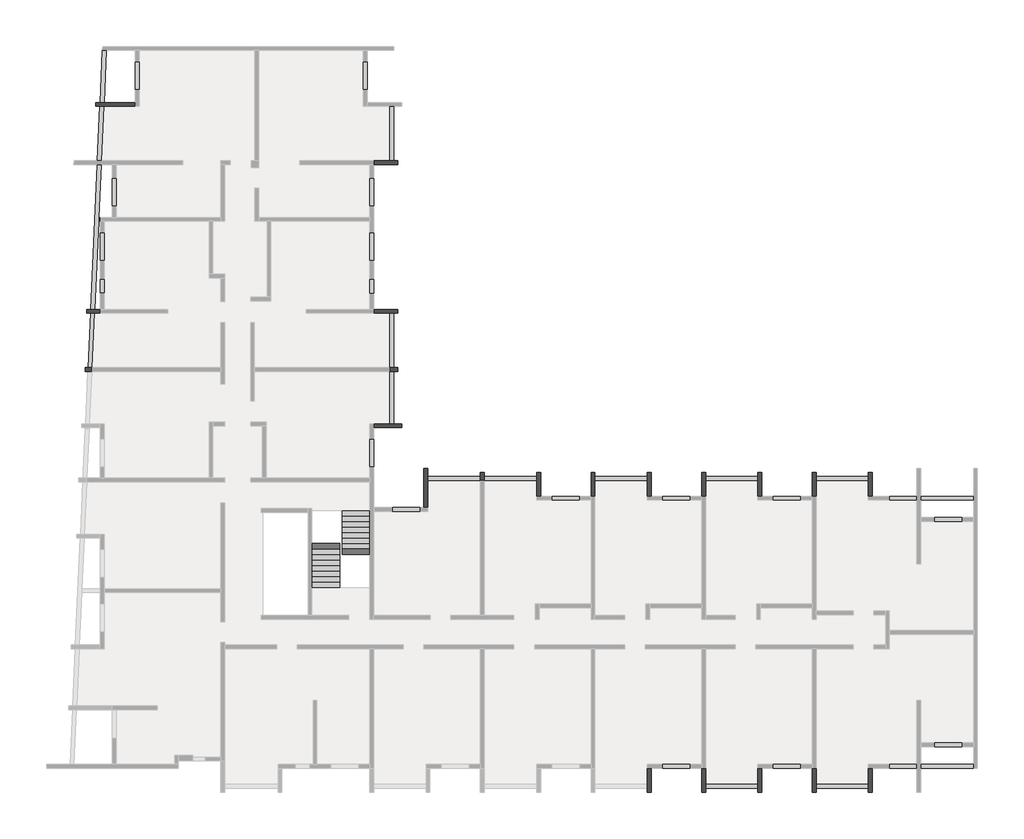
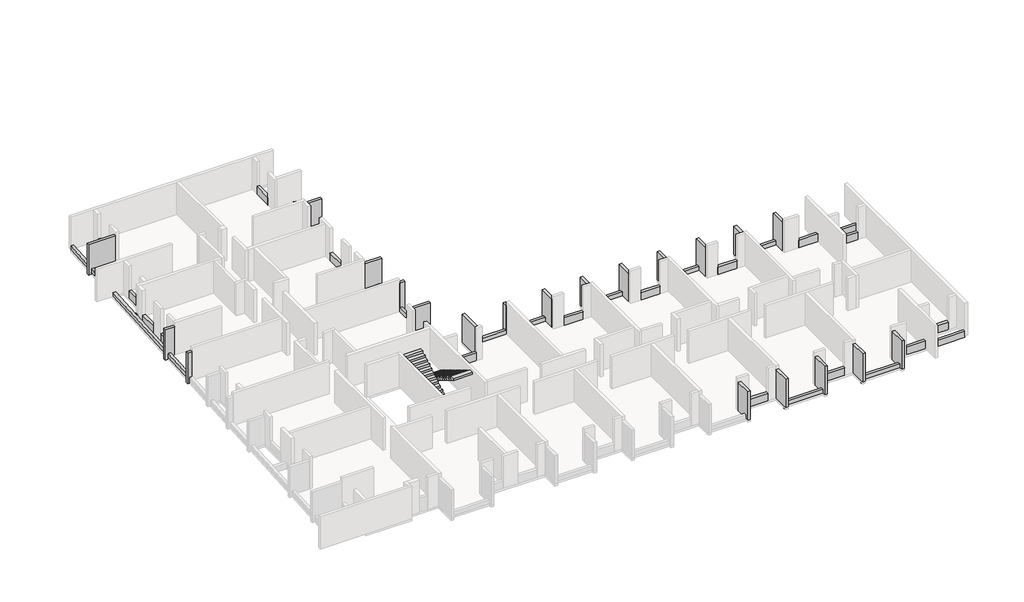
# One storey, part 4 of 4: 57 beams, 2 stair flights.
"""IFC4 building model written with IfcOpenShell, lengths in millimetres."""

from ifc_helpers import new_model, si_unit, frame, origin, place, context, project, spatial, polyline, outline, extrude, faceted_brep, element, save

model = new_model("IFC4")

# Units and contexts
model_context = context("Model", 3, world=origin())
ifc_project = project(units=[si_unit("LENGTHUNIT", "METRE", prefix="MILLI")], contexts=[model_context])

# Site, building, storey
site = spatial("IfcSite", under=ifc_project)
building = spatial("IfcBuilding", under=site)
storey = spatial("IfcBuildingStorey", under=building, Elevation=12290.0)

# Beams
placement = place(None, origin())
element("IfcBeam", 1, ObjectType="VI. 20/238", at=placement, inside=storey, context=model_context, shape_type="Brep", body=[
    faceted_brep([(-43135.6912908, 4000.9327501, 14520.0), (-43135.6912908, 4000.9327501, 12290.0), (-43135.6912908, 4000.9327501, 12140.0), (-43135.6912908, 4200.9327501, 12140.0), (-43135.6912908, 4200.9327501, 12290.0), (-43135.6912908, 4200.9327501, 14520.0), (-43830.6912908, 4000.9327501, 14520.0), (-43830.6912908, 4200.9327501, 14520.0), (-43830.6912908, 4200.9327501, 12140.0), (-43830.6912908, 4000.9327501, 12140.0)], [[[0, 1, 2, 3, 4, 5]], [[6, 7, 8, 9]], [[2, 1, 0, 6, 9]], [[3, 2, 9, 8]], [[5, 4, 3, 8, 7]], [[0, 5, 7, 6]]]),
])
element("IfcBeam", 2, ObjectType="VI. 20/238", at=placement, inside=storey, context=model_context, shape_type="Brep", body=[
    faceted_brep([(-3415.6912908, -5419.0672499, 14520.0), (-3615.6912908, -5419.0672499, 14520.0), (-3615.6912908, -5419.0672499, 12290.0), (-3415.6912908, -5419.0672499, 12290.0), (-3615.6912908, -4199.0672499, 14520.0), (-3415.6912908, -4199.0672499, 14520.0), (-3415.6912908, -4199.0672499, 12290.0), (-3615.6912908, -4199.0672499, 12290.0), (-3615.6912908, -4399.0672499, 12290.0), (-3615.6912908, -4599.0672499, 12290.0)], [[[0, 1, 2, 3]], [[4, 5, 6, 7]], [[1, 4, 7, 8, 9, 2]], [[5, 0, 3, 6]], [[1, 0, 5, 4]], [[3, 2, 9, 8, 7, 6]]]),
])
element("IfcBeam", 3, ObjectType="VI. 20/238", at=placement, inside=storey, context=model_context, shape_type="Brep", body=[
    faceted_brep([(-9105.6912908, -5419.0672499, 14520.0), (-9305.6912908, -5419.0672499, 14520.0), (-9305.6912908, -5419.0672499, 12290.0), (-9105.6912908, -5419.0672499, 12290.0), (-9305.6912908, -4199.0672499, 14520.0), (-9105.6912908, -4199.0672499, 14520.0), (-9105.6912908, -4199.0672499, 12290.0), (-9305.6912908, -4199.0672499, 12290.0), (-9305.6912908, -4399.0672499, 12290.0), (-9305.6912908, -4599.0672499, 12290.0)], [[[0, 1, 2, 3]], [[4, 5, 6, 7]], [[1, 4, 7, 8, 9, 2]], [[5, 0, 3, 6]], [[1, 0, 5, 4]], [[3, 2, 9, 8, 7, 6]]]),
])
element("IfcBeam", 4, ObjectType="VI. 20/238", at=placement, inside=storey, context=model_context, shape_type="Brep", body=[
    faceted_brep([(-20485.6912908, -5419.0672499, 14520.0), (-20685.6912908, -5419.0672499, 14520.0), (-20685.6912908, -5419.0672499, 12290.0), (-20485.6912908, -5419.0672499, 12290.0), (-20685.6912908, -4199.0672499, 14520.0), (-20485.6912908, -4199.0672499, 14520.0), (-20485.6912908, -4199.0672499, 12290.0), (-20685.6912908, -4199.0672499, 12290.0), (-20685.6912908, -4399.0672499, 12290.0), (-20685.6912908, -4399.0672499, 12590.0), (-20685.6912908, -4599.0672499, 12590.0), (-20685.6912908, -4599.0672499, 12290.0), (-20655.6912908, -4599.0672499, 12590.0), (-20655.6912908, -4399.0672499, 12590.0), (-20655.6912908, -4399.0672499, 12290.0), (-20655.6912908, -4599.0672499, 12290.0)], [[[0, 1, 2, 3]], [[4, 5, 6, 7]], [[1, 4, 7, 8, 9, 10, 11, 2]], [[5, 0, 3, 6]], [[1, 0, 5, 4]], [[12, 13, 14, 15]], [[10, 12, 15, 11]], [[13, 9, 8, 14]], [[13, 12, 10, 9]], [[3, 2, 11, 15, 14, 8, 7, 6]]]),
])
element("IfcBeam", 5, ObjectType="VI. 20/238", at=placement, inside=storey, context=model_context, shape_type="Brep", body=[
    faceted_brep([(-26495.6912908, -3999.0672499, 14520.0), (-26295.6912908, -3999.0672499, 14520.0), (-26295.6912908, -3999.0672499, 12290.0), (-26495.6912908, -3999.0672499, 12290.0), (-26295.6912908, -6004.0672499, 14520.0), (-26495.6912908, -6004.0672499, 14520.0), (-26495.6912908, -6004.0672499, 12290.0), (-26295.6912908, -6004.0672499, 12290.0), (-26295.6912908, -4599.0672499, 12290.0), (-26295.6912908, -4399.0672499, 12290.0)], [[[0, 1, 2, 3]], [[4, 5, 6, 7]], [[1, 4, 7, 8, 9, 2]], [[5, 0, 3, 6]], [[1, 0, 5, 4]], [[3, 2, 9, 8, 7, 6]]]),
])
element("IfcBeam", 6, ObjectType="VI. 20/238", at=placement, inside=storey, context=model_context, shape_type="Brep", body=[
    faceted_brep([(-14995.6912908, -4199.0672499, 14520.0), (-14795.6912908, -4199.0672499, 14520.0), (-14795.6912908, -4199.0672499, 12290.0), (-14995.6912908, -4199.0672499, 12290.0), (-14795.6912908, -5419.0672499, 14520.0), (-14995.6912908, -5419.0672499, 14520.0), (-14995.6912908, -5419.0672499, 12290.0), (-14795.6912908, -5419.0672499, 12290.0), (-14995.6912908, -4399.0672499, 12290.0), (-14995.6912908, -4399.0672499, 12590.0), (-14995.6912908, -4599.0672499, 12590.0), (-14995.6912908, -4599.0672499, 12290.0), (-14965.6912908, -4599.0672499, 12590.0), (-14965.6912908, -4399.0672499, 12590.0), (-14965.6912908, -4399.0672499, 12290.0), (-14965.6912908, -4599.0672499, 12290.0)], [[[0, 1, 2, 3]], [[4, 5, 6, 7]], [[1, 4, 7, 2]], [[5, 0, 3, 8, 9, 10, 11, 6]], [[1, 0, 5, 4]], [[12, 13, 14, 15]], [[10, 12, 15, 11]], [[13, 9, 8, 14]], [[13, 12, 10, 9]], [[3, 2, 7, 6, 11, 15, 14, 8]]]),
])
element("IfcBeam", 7, ObjectType="VI. 20/238", at=placement, inside=storey, context=model_context, shape_type="Brep", body=[
    faceted_brep([(-3615.6912908, -20669.0672499, 14520.0), (-3615.6912908, -20669.0672499, 12140.0), (-3415.6912908, -20669.0672499, 12140.0), (-3415.6912908, -20669.0672499, 14520.0), (-3615.6912908, -19419.0672499, 14520.0), (-3415.6912908, -19419.0672499, 14520.0), (-3415.6912908, -19419.0672499, 12290.0), (-3615.6912908, -19419.0672499, 12290.0), (-3615.6912908, -20249.0672499, 12290.0), (-3615.6912908, -20449.0672499, 12290.0), (-3615.6912908, -20449.0672499, 12140.0), (-3415.6912908, -20449.0672499, 12140.0), (-3415.6912908, -20449.0672499, 12290.0)], [[[0, 1, 2, 3]], [[4, 5, 6, 7]], [[1, 0, 4, 7, 8, 9, 10]], [[2, 1, 10, 11]], [[3, 2, 11, 12, 6, 5]], [[0, 3, 5, 4]], [[9, 12, 11, 10]], [[12, 9, 8, 7, 6]]]),
])
element("IfcBeam", 8, ObjectType="VI. 20/238", at=placement, inside=storey, context=model_context, shape_type="Brep", body=[
    faceted_brep([(-6505.6912908, -20669.0672499, 14520.0), (-6505.6912908, -20669.0672499, 12140.0), (-6305.6912908, -20669.0672499, 12140.0), (-6305.6912908, -20669.0672499, 14520.0), (-6505.6912908, -19419.0672499, 14520.0), (-6305.6912908, -19419.0672499, 14520.0), (-6305.6912908, -19419.0672499, 12290.0), (-6505.6912908, -19419.0672499, 12290.0), (-6505.6912908, -20449.0672499, 12290.0), (-6505.6912908, -20449.0672499, 12140.0), (-6305.6912908, -20449.0672499, 12140.0), (-6305.6912908, -20449.0672499, 12290.0), (-6305.6912908, -20249.0672499, 12290.0)], [[[0, 1, 2, 3]], [[4, 5, 6, 7]], [[1, 0, 4, 7, 8, 9]], [[2, 1, 9, 10]], [[3, 2, 10, 11, 12, 6, 5]], [[0, 3, 5, 4]], [[8, 11, 10, 9]], [[11, 8, 7, 6, 12]]]),
])
element("IfcBeam", 9, ObjectType="VI. 20/238", at=placement, inside=storey, context=model_context, shape_type="Brep", body=[
    faceted_brep([(-9305.6912908, -20669.0672499, 14520.0), (-9305.6912908, -20669.0672499, 12140.0), (-9105.6912908, -20669.0672499, 12140.0), (-9105.6912908, -20669.0672499, 14520.0), (-9305.6912908, -19419.0672499, 14520.0), (-9105.6912908, -19419.0672499, 14520.0), (-9105.6912908, -19419.0672499, 12290.0), (-9305.6912908, -19419.0672499, 12290.0), (-9305.6912908, -20249.0672499, 12290.0), (-9305.6912908, -20449.0672499, 12290.0), (-9305.6912908, -20449.0672499, 12140.0), (-9105.6912908, -20449.0672499, 12140.0), (-9105.6912908, -20449.0672499, 12290.0)], [[[0, 1, 2, 3]], [[4, 5, 6, 7]], [[1, 0, 4, 7, 8, 9, 10]], [[2, 1, 10, 11]], [[3, 2, 11, 12, 6, 5]], [[0, 3, 5, 4]], [[9, 12, 11, 10]], [[12, 9, 8, 7, 6]]]),
])
element("IfcBeam", 10, ObjectType="VI. 20/238", at=placement, inside=storey, context=model_context, shape_type="Brep", body=[
    faceted_brep([(-12195.6912908, -20669.0672499, 14520.0), (-12195.6912908, -20669.0672499, 12140.0), (-11995.6912908, -20669.0672499, 12140.0), (-11995.6912908, -20669.0672499, 14520.0), (-12195.6912908, -19419.0672499, 14520.0), (-11995.6912908, -19419.0672499, 14520.0), (-11995.6912908, -19419.0672499, 12290.0), (-12195.6912908, -19419.0672499, 12290.0), (-12195.6912908, -20449.0672499, 12290.0), (-12195.6912908, -20449.0672499, 12140.0), (-11995.6912908, -20449.0672499, 12140.0), (-11995.6912908, -20449.0672499, 12290.0), (-11995.6912908, -20249.0672499, 12290.0)], [[[0, 1, 2, 3]], [[4, 5, 6, 7]], [[1, 0, 4, 7, 8, 9]], [[2, 1, 9, 10]], [[3, 2, 10, 11, 12, 6, 5]], [[0, 3, 5, 4]], [[8, 11, 10, 9]], [[11, 8, 7, 6, 12]]]),
])
element("IfcBeam", 11, ObjectType="VI. 20/238", at=placement, inside=storey, context=model_context, shape_type="Brep", body=[
    faceted_brep([(-14995.6912908, -20669.0672499, 14520.0), (-14995.6912908, -20669.0672499, 12140.0), (-14795.6912908, -20669.0672499, 12140.0), (-14795.6912908, -20669.0672499, 14520.0), (-14995.6912908, -19419.0672499, 14520.0), (-14795.6912908, -19419.0672499, 14520.0), (-14795.6912908, -19419.0672499, 12290.0), (-14995.6912908, -19419.0672499, 12290.0), (-14995.6912908, -20249.0672499, 12290.0), (-14995.6912908, -20449.0672499, 12290.0), (-14995.6912908, -20449.0672499, 12140.0), (-14795.6912908, -20449.0672499, 12140.0), (-14795.6912908, -20449.0672499, 12290.0)], [[[0, 1, 2, 3]], [[4, 5, 6, 7]], [[1, 0, 4, 7, 8, 9, 10]], [[2, 1, 10, 11]], [[3, 2, 11, 12, 6, 5]], [[0, 3, 5, 4]], [[9, 12, 11, 10]], [[12, 9, 8, 7, 6]]]),
])
element("IfcBeam", 12, ObjectType="VI. 20/238", at=placement, inside=storey, context=model_context, shape_type="Brep", body=[
    faceted_brep([(-43355.6912908, 14650.9327501, 14520.0), (-43355.6912908, 14850.9327501, 14520.0), (-43355.6912908, 14850.9327501, 12140.0), (-43355.6912908, 14650.9327501, 12140.0), (-43152.5942526, 14650.9327501, 12140.0), (-43152.5942526, 14650.9327501, 12290.0), (-42952.3885608, 14650.9327501, 12290.0), (-41335.6912908, 14650.9327501, 12290.0), (-41335.6912908, 14650.9327501, 14520.0), (-43143.5212701, 14850.9327501, 12140.0), (-41335.6912908, 14850.9327501, 14520.0), (-41335.6912908, 14850.9327501, 12290.0), (-42943.3155784, 14850.9327501, 12290.0), (-43143.5212701, 14850.9327501, 12290.0)], [[[0, 1, 2, 3]], [[0, 3, 4, 5, 6, 7, 8]], [[3, 2, 9, 4]], [[2, 1, 10, 11, 12, 13, 9]], [[1, 0, 8, 10]], [[10, 8, 7, 11]], [[13, 5, 4, 9]], [[5, 13, 12, 11, 7, 6]]]),
])
element("IfcBeam", 13, ObjectType="VI. 20/238", at=placement, inside=storey, context=model_context, shape_type="Brep", body=[
    faceted_brep([(-27635.6912908, -1689.5482142, 14520.0), (-27635.6912908, -1889.5482142, 14520.0), (-27635.6912908, -1889.5482142, 12290.0), (-27635.6912908, -1689.5482142, 12290.0), (-29065.6912908, -1889.5482142, 14520.0), (-29065.6912908, -1689.5482142, 14520.0), (-29065.6912908, -1689.5482142, 12290.0), (-29065.6912908, -1889.5482142, 12290.0), (-28035.6912908, -1689.5482142, 12290.0), (-28235.6912908, -1689.5482142, 12290.0)], [[[0, 1, 2, 3]], [[4, 5, 6, 7]], [[5, 0, 3, 8, 9, 6]], [[1, 4, 7, 2]], [[1, 0, 5, 4]], [[3, 2, 7, 6, 9, 8]]]),
])
element("IfcBeam", 14, ObjectType="VI. 20/238", at=placement, inside=storey, context=model_context, shape_type="Brep", body=[
    faceted_brep([(-43915.6912908, 1000.9327501, 14520.0), (-43915.6912908, 1200.9327501, 14520.0), (-43915.6912908, 1200.9327501, 12140.0), (-43915.6912908, 1000.9327501, 12140.0), (-43771.8253055, 1000.9327501, 12140.0), (-43771.8253055, 1000.9327501, 12290.0), (-43571.6196137, 1000.9327501, 12290.0), (-43571.6196137, 1000.9327501, 12590.0), (-43571.6196137, 1000.9327501, 14520.0), (-43762.752323, 1200.9327501, 12140.0), (-43562.5466312, 1200.9327501, 14520.0), (-43562.5466312, 1200.9327501, 12590.0), (-43562.5466312, 1200.9327501, 12290.0), (-43762.752323, 1200.9327501, 12290.0)], [[[0, 1, 2, 3]], [[0, 3, 4, 5, 6, 7, 8]], [[3, 2, 9, 4]], [[2, 1, 10, 11, 12, 13, 9]], [[1, 0, 8, 10]], [[13, 5, 4, 9]], [[5, 13, 12, 6]], [[8, 7, 6, 12, 11, 10]]]),
])
element("IfcBeam", 15, ObjectType="VI. 20/238", at=placement, inside=storey, context=model_context, shape_type="Brep", body=[
    faceted_brep([(-27835.6912908, 1200.9327501, 14520.0), (-27835.6912908, 1000.9327501, 14520.0), (-27835.6912908, 1000.9327501, 12290.0), (-27835.6912908, 1200.9327501, 12290.0), (-28235.6912908, 1000.9327501, 14520.0), (-28235.6912908, 1200.9327501, 14520.0), (-28235.6912908, 1200.9327501, 12590.0), (-28235.6912908, 1200.9327501, 12290.0), (-28235.6912908, 1000.9327501, 12290.0), (-28235.6912908, 1000.9327501, 12590.0), (-28035.6912908, 1200.9327501, 12290.0), (-28035.6912908, 1000.9327501, 12290.0)], [[[0, 1, 2, 3]], [[4, 5, 6, 7, 8, 9]], [[5, 0, 3, 10, 7, 6]], [[1, 4, 9, 8, 11, 2]], [[1, 0, 5, 4]], [[3, 2, 11, 8, 7, 10]]]),
])
element("IfcBeam", 16, ObjectType="VI. 20/238", at=placement, inside=storey, context=model_context, shape_type="Brep", body=[
    faceted_brep([(-17885.6912908, -4199.0672499, 14520.0), (-17685.6912908, -4199.0672499, 14520.0), (-17685.6912908, -4199.0672499, 12290.0), (-17885.6912908, -4199.0672499, 12290.0), (-17685.6912908, -5419.0672499, 14520.0), (-17885.6912908, -5419.0672499, 14520.0), (-17885.6912908, -5419.0672499, 12290.0), (-17685.6912908, -5419.0672499, 12290.0), (-17685.6912908, -4599.0672499, 12290.0), (-17685.6912908, -4399.0672499, 12290.0)], [[[0, 1, 2, 3]], [[4, 5, 6, 7]], [[1, 4, 7, 8, 9, 2]], [[5, 0, 3, 6]], [[1, 0, 5, 4]], [[3, 2, 9, 8, 7, 6]]]),
])
element("IfcBeam", 17, ObjectType="VI. 20/238", at=placement, inside=storey, context=model_context, shape_type="Brep", body=[
    faceted_brep([(-6305.6912908, -5419.0672499, 14520.0), (-6505.6912908, -5419.0672499, 14520.0), (-6505.6912908, -5419.0672499, 12290.0), (-6305.6912908, -5419.0672499, 12290.0), (-6505.6912908, -4199.0672499, 14520.0), (-6305.6912908, -4199.0672499, 14520.0), (-6305.6912908, -4199.0672499, 12290.0), (-6505.6912908, -4199.0672499, 12290.0), (-6305.6912908, -4599.0672499, 12290.0), (-6305.6912908, -4399.0672499, 12290.0)], [[[0, 1, 2, 3]], [[4, 5, 6, 7]], [[1, 4, 7, 2]], [[5, 0, 3, 8, 9, 6]], [[1, 0, 5, 4]], [[3, 2, 7, 6, 9, 8]]]),
])
element("IfcBeam", 18, ObjectType="VI. 20/238", at=placement, inside=storey, context=model_context, shape_type="Brep", body=[
    faceted_brep([(-11995.6912908, -5419.0672499, 14520.0), (-12195.6912908, -5419.0672499, 14520.0), (-12195.6912908, -5419.0672499, 12290.0), (-11995.6912908, -5419.0672499, 12290.0), (-12195.6912908, -4199.0672499, 14520.0), (-11995.6912908, -4199.0672499, 14520.0), (-11995.6912908, -4199.0672499, 12290.0), (-12195.6912908, -4199.0672499, 12290.0), (-11995.6912908, -4599.0672499, 12290.0), (-11995.6912908, -4399.0672499, 12290.0)], [[[0, 1, 2, 3]], [[4, 5, 6, 7]], [[1, 4, 7, 2]], [[5, 0, 3, 8, 9, 6]], [[1, 0, 5, 4]], [[3, 2, 7, 6, 9, 8]]]),
])
element("IfcBeam", 19, ObjectType="VI. 20/238", at=placement, inside=storey, context=model_context, shape_type="Brep", body=[
    faceted_brep([(-23375.6912908, -4599.0672499, 14520.0), (-23575.6912908, -4599.0672499, 14520.0), (-23575.6912908, -4599.0672499, 12590.0), (-23575.6912908, -4599.0672499, 12290.0), (-23375.6912908, -4599.0672499, 12290.0), (-23375.6912908, -4599.0672499, 12590.0), (-23575.6912908, -4199.0672499, 14520.0), (-23375.6912908, -4199.0672499, 14520.0), (-23375.6912908, -4199.0672499, 12290.0), (-23575.6912908, -4199.0672499, 12290.0), (-23575.6912908, -4399.0672499, 12290.0), (-23375.6912908, -4399.0672499, 12290.0)], [[[0, 1, 2, 3, 4, 5]], [[6, 7, 8, 9]], [[1, 6, 9, 10, 3, 2]], [[7, 0, 5, 4, 11, 8]], [[1, 0, 7, 6]], [[4, 3, 10, 9, 8, 11]]]),
])
element("IfcBeam", 20, ObjectType="VI. 20/238", at=placement, inside=storey, context=model_context, shape_type="Brep", body=[
    faceted_brep([(-27835.6912908, 4200.9327501, 14520.0), (-27835.6912908, 4000.9327501, 14520.0), (-27835.6912908, 4000.9327501, 12290.0), (-27835.6912908, 4200.9327501, 12290.0), (-29065.6912908, 4000.9327501, 14520.0), (-29065.6912908, 4200.9327501, 14520.0), (-29065.6912908, 4200.9327501, 12290.0), (-29065.6912908, 4000.9327501, 12290.0), (-28235.6912908, 4000.9327501, 12290.0), (-28035.6912908, 4000.9327501, 12290.0)], [[[0, 1, 2, 3]], [[4, 5, 6, 7]], [[5, 0, 3, 6]], [[1, 4, 7, 8, 9, 2]], [[1, 0, 5, 4]], [[3, 2, 9, 8, 7, 6]]]),
])
element("IfcBeam", 21, ObjectType="VI. 20/238", at=placement, inside=storey, context=model_context, shape_type="Brep", body=[
    faceted_brep([(-27835.6912908, 11850.9327501, 14520.0), (-27835.6912908, 11650.9327501, 14520.0), (-27835.6912908, 11650.9327501, 12290.0), (-27835.6912908, 11850.9327501, 12290.0), (-29065.6912908, 11650.9327501, 14520.0), (-29065.6912908, 11850.9327501, 14520.0), (-29065.6912908, 11850.9327501, 12290.0), (-29065.6912908, 11650.9327501, 12290.0), (-28035.6912908, 11850.9327501, 12290.0), (-28235.6912908, 11850.9327501, 12290.0)], [[[0, 1, 2, 3]], [[4, 5, 6, 7]], [[5, 0, 3, 8, 9, 6]], [[1, 4, 7, 2]], [[1, 0, 5, 4]], [[3, 2, 7, 6, 9, 8]]]),
])
element("IfcBeam", 22, ObjectType="VI. 20/45", at=placement, inside=storey, context=model_context, shape_type="SweptSolid", body=[
    extrude(outline(polyline([(-3615.6912908, -4399.0672499), (-3615.6912908, -4599.0672499), (-6305.6912908, -4599.0672499), (-6305.6912908, -4399.0672499), (-3615.6912908, -4399.0672499)])), frame((0.0, 0.0, 12290.0), z_axis=(0.0, 0.0, 1.0), x_axis=(1.0, 0.0, 0.0)), (0.0, 0.0, 1.0), 300.0),
])
element("IfcBeam", 23, ObjectType="VI. 20/45", at=placement, inside=storey, context=model_context, shape_type="SweptSolid", body=[
    extrude(outline(polyline([(-9305.6912908, -4399.0672499), (-9305.6912908, -4599.0672499), (-11995.6912908, -4599.0672499), (-11995.6912908, -4399.0672499), (-9305.6912908, -4399.0672499)])), frame((0.0, 0.0, 12290.0), z_axis=(0.0, 0.0, 1.0), x_axis=(1.0, 0.0, 0.0)), (0.0, 0.0, 1.0), 300.0),
])
element("IfcBeam", 24, ObjectType="VI. 20/45", at=placement, inside=storey, context=model_context, shape_type="Brep", body=[
    faceted_brep([(-14965.6912908, -4399.0672499, 12590.0), (-14965.6912908, -4599.0672499, 12590.0), (-14965.6912908, -4599.0672499, 12290.0), (-14965.6912908, -4399.0672499, 12290.0), (-17685.6912908, -4599.0672499, 12590.0), (-17685.6912908, -4399.0672499, 12590.0), (-17685.6912908, -4399.0672499, 12290.0), (-17685.6912908, -4599.0672499, 12290.0), (-14995.6912908, -4599.0672499, 12590.0), (-14995.6912908, -4599.0672499, 12290.0), (-14995.6912908, -4399.0672499, 12590.0), (-14995.6912908, -4399.0672499, 12290.0)], [[[0, 1, 2, 3]], [[4, 5, 6, 7]], [[1, 8, 4, 7, 9, 2]], [[5, 10, 0, 3, 11, 6]], [[1, 0, 10, 5, 4, 8]], [[3, 2, 9, 7, 6, 11]]]),
])
element("IfcBeam", 25, ObjectType="VI. 20/45", at=placement, inside=storey, context=model_context, shape_type="Brep", body=[
    faceted_brep([(-20655.6912908, -4399.0672499, 12590.0), (-20655.6912908, -4599.0672499, 12590.0), (-20655.6912908, -4599.0672499, 12290.0), (-20655.6912908, -4399.0672499, 12290.0), (-23375.6912908, -4599.0672499, 12590.0), (-23375.6912908, -4399.0672499, 12590.0), (-23375.6912908, -4399.0672499, 12290.0), (-23375.6912908, -4599.0672499, 12290.0), (-20685.6912908, -4599.0672499, 12590.0), (-20685.6912908, -4599.0672499, 12290.0), (-20685.6912908, -4399.0672499, 12590.0), (-20685.6912908, -4399.0672499, 12290.0)], [[[0, 1, 2, 3]], [[4, 5, 6, 7]], [[1, 8, 4, 7, 9, 2]], [[5, 10, 0, 3, 11, 6]], [[1, 0, 10, 5, 4, 8]], [[3, 2, 9, 7, 6, 11]]]),
])
element("IfcBeam", 26, ObjectType="VI. 20/45", at=placement, inside=storey, context=model_context, shape_type="SweptSolid", body=[
    extrude(outline(polyline([(-23575.6912908, -4399.0672499), (-23575.6912908, -4599.0672499), (-26295.6912908, -4599.0672499), (-26295.6912908, -4399.0672499), (-23575.6912908, -4399.0672499)])), frame((0.0, 0.0, 12290.0), z_axis=(0.0, 0.0, 1.0), x_axis=(1.0, 0.0, 0.0)), (0.0, 0.0, 1.0), 300.0),
])
element("IfcBeam", 27, ObjectType="VI. 20/45", at=placement, inside=storey, context=model_context, shape_type="SweptSolid", body=[
    extrude(outline(polyline([(-6305.6912908, -20449.0672499), (-6305.6912908, -20249.0672499), (-3615.6912908, -20249.0672499), (-3615.6912908, -20449.0672499), (-6305.6912908, -20449.0672499)])), frame((0.0, 0.0, 12290.0), z_axis=(0.0, 0.0, 1.0), x_axis=(1.0, 0.0, 0.0)), (0.0, 0.0, 1.0), 300.0),
])
element("IfcBeam", 28, ObjectType="VI. 20/45", at=placement, inside=storey, context=model_context, shape_type="SweptSolid", body=[
    extrude(outline(polyline([(-9305.6912908, -20249.0672499), (-9305.6912908, -20449.0672499), (-11995.6912908, -20449.0672499), (-11995.6912908, -20249.0672499), (-9305.6912908, -20249.0672499)])), frame((0.0, 0.0, 12290.0), z_axis=(0.0, 0.0, 1.0), x_axis=(1.0, 0.0, 0.0)), (0.0, 0.0, 1.0), 300.0),
])
element("IfcBeam", 29, ObjectType="VI. 20/45", at=placement, inside=storey, context=model_context, shape_type="SweptSolid", body=[
    extrude(outline(polyline([(-28235.6912908, 14650.9327501), (-28035.6912908, 14650.9327501), (-28035.6912908, 11850.9327501), (-28235.6912908, 11850.9327501), (-28235.6912908, 14650.9327501)])), frame((0.0, 0.0, 12290.0), z_axis=(0.0, 0.0, 1.0), x_axis=(1.0, 0.0, 0.0)), (0.0, 0.0, 1.0), 300.0),
])
element("IfcBeam", 30, ObjectType="VI. 20/45", at=placement, inside=storey, context=model_context, shape_type="SweptSolid", body=[
    extrude(outline(polyline([(-28235.6912908, 4000.9327501), (-28035.6912908, 4000.9327501), (-28035.6912908, 1200.9327501), (-28235.6912908, 1200.9327501), (-28235.6912908, 4000.9327501)])), frame((0.0, 0.0, 12290.0), z_axis=(0.0, 0.0, 1.0), x_axis=(1.0, 0.0, 0.0)), (0.0, 0.0, 1.0), 300.0),
])
element("IfcBeam", 31, ObjectType="VI. 20/45", at=placement, inside=storey, context=model_context, shape_type="SweptSolid", body=[
    extrude(outline(polyline([(-28035.6912908, -1689.5482142), (-28235.6912908, -1689.5482142), (-28235.6912908, 1000.9327501), (-28035.6912908, 1000.9327501), (-28035.6912908, -1689.5482142)])), frame((0.0, 0.0, 12290.0), z_axis=(0.0, 0.0, 1.0), x_axis=(1.0, 0.0, 0.0)), (0.0, 0.0, 1.0), 300.0),
])
element("IfcBeam", 32, ObjectType="VI. 20/45", at=placement, inside=storey, context=model_context, shape_type="SweptSolid", body=[
    extrude(outline(polyline([(-42821.7376134, 17530.9327501), (-42943.3155784, 14850.9327501), (-43143.5212701, 14850.9327501), (-43021.9433052, 17530.9327501), (-42821.7376134, 17530.9327501)])), frame((0.0, 0.0, 12290.0), z_axis=(0.0, 0.0, 1.0), x_axis=(1.0, 0.0, 0.0)), (0.0, 0.0, 1.0), 300.0),
])
element("IfcBeam", 33, ObjectType="VI. 20/45", at=placement, inside=storey, context=model_context, shape_type="SweptSolid", body=[
    extrude(outline(polyline([(-43152.5942526, 14650.9327501), (-42952.3885608, 14650.9327501), (-43079.4103153, 11850.9327501), (-43279.616007, 11850.9327501), (-43152.5942526, 14650.9327501)])), frame((0.0, 0.0, 12290.0), z_axis=(0.0, 0.0, 1.0), x_axis=(1.0, 0.0, 0.0)), (0.0, 0.0, 1.0), 300.0),
])
element("IfcBeam", 34, ObjectType="VI. 20/45", at=placement, inside=storey, context=model_context, shape_type="SweptSolid", body=[
    extrude(outline(polyline([(-43135.6912908, 8730.9327501), (-43220.9488416, 8730.9327501), (-43211.8758592, 8930.9327501), (-43135.6912908, 8930.9327501), (-43135.6912908, 8730.9327501)])), frame((0.0, 0.0, 12290.0), z_axis=(0.0, 0.0, 1.0), x_axis=(1.0, 0.0, 0.0)), (0.0, 0.0, 1.0), 300.0),
])
element("IfcBeam", 35, ObjectType="VI. 20/45", at=placement, inside=storey, context=model_context, shape_type="Brep", body=[
    faceted_brep([(-43088.4832977, 11650.9327501, 12590.0), (-43211.8758592, 8930.9327501, 12590.0), (-43220.9488416, 8730.9327501, 12590.0), (-43426.4518943, 4200.9327501, 12590.0), (-43426.4518943, 4200.9327501, 12290.0), (-43220.9488416, 8730.9327501, 12290.0), (-43211.8758592, 8930.9327501, 12290.0), (-43088.4832977, 11650.9327501, 12290.0), (-43626.6575861, 4200.9327501, 12590.0), (-43288.6889895, 11650.9327501, 12590.0), (-43288.6889895, 11650.9327501, 12290.0), (-43626.6575861, 4200.9327501, 12290.0)], [[[0, 1, 2, 3, 4, 5, 6, 7]], [[8, 9, 10, 11]], [[8, 3, 2, 1, 0, 9]], [[9, 0, 7, 10]], [[3, 8, 11, 4]], [[7, 6, 5, 4, 11, 10]]]),
])
element("IfcBeam", 36, ObjectType="VI. 20/45", at=placement, inside=storey, context=model_context, shape_type="SweptSolid", body=[
    extrude(outline(polyline([(-43435.5248768, 4000.9327501), (-43562.5466312, 1200.9327501), (-43762.752323, 1200.9327501), (-43635.7305686, 4000.9327501), (-43435.5248768, 4000.9327501)])), frame((0.0, 0.0, 12290.0), z_axis=(0.0, 0.0, 1.0), x_axis=(1.0, 0.0, 0.0)), (0.0, 0.0, 1.0), 300.0),
])
element("IfcBeam", 37, ObjectType="VI. 20/47", at=placement, inside=storey, context=model_context, shape_type="Brep", body=[
    faceted_brep([(1794.3087092, -5619.0672499, 12610.0), (1794.3087092, -5619.0672499, 12140.0), (1794.3087092, -5419.0672499, 12140.0), (1794.3087092, -5419.0672499, 12610.0), (-925.6912908, -5619.0672499, 12610.0), (-925.6912908, -5419.0672499, 12610.0), (-925.6912908, -5419.0672499, 12290.0), (-925.6912908, -5419.0672499, 12140.0), (-925.6912908, -5619.0672499, 12140.0), (-925.6912908, -5619.0672499, 12290.0)], [[[0, 1, 2, 3]], [[4, 5, 6, 7, 8, 9]], [[1, 0, 4, 9, 8]], [[2, 1, 8, 7]], [[3, 2, 7, 6, 5]], [[0, 3, 5, 4]]]),
])
element("IfcBeam", 38, ObjectType="VI. 20/47", at=placement, inside=storey, context=model_context, shape_type="Brep", body=[
    faceted_brep([(1794.3087092, -19419.0672499, 12610.0), (1794.3087092, -19419.0672499, 12290.0), (1794.3087092, -19419.0672499, 12140.0), (1794.3087092, -19219.0672499, 12140.0), (1794.3087092, -19219.0672499, 12610.0), (-925.6912908, -19419.0672499, 12610.0), (-925.6912908, -19219.0672499, 12610.0), (-925.6912908, -19219.0672499, 12290.0), (-925.6912908, -19219.0672499, 12140.0), (-925.6912908, -19419.0672499, 12140.0), (-925.6912908, -19419.0672499, 12290.0)], [[[0, 1, 2, 3, 4]], [[5, 6, 7, 8, 9, 10]], [[2, 1, 0, 5, 10, 9]], [[3, 2, 9, 8]], [[4, 3, 8, 7, 6]], [[0, 4, 6, 5]]]),
])
element("IfcBeam", 39, ObjectType="VI. 20/75", at=placement, inside=storey, context=model_context, shape_type="SweptSolid", body=[
    extrude(outline(polyline([(1189.3087092, -6519.0672499), (1189.3087092, -6719.0672499), (-200.6912908, -6719.0672499), (-200.6912908, -6519.0672499), (1189.3087092, -6519.0672499)])), frame((0.0, 0.0, 12290.0), z_axis=(0.0, 0.0, 1.0), x_axis=(1.0, 0.0, 0.0)), (0.0, 0.0, 1.0), 600.0),
])
element("IfcBeam", 40, ObjectType="VI. 20/75", at=placement, inside=storey, context=model_context, shape_type="SweptSolid", body=[
    extrude(outline(polyline([(-1125.6912908, -5419.0672499), (-1125.6912908, -5619.0672499), (-2545.6912908, -5619.0672499), (-2545.6912908, -5419.0672499), (-1125.6912908, -5419.0672499)])), frame((0.0, 0.0, 12290.0), z_axis=(0.0, 0.0, 1.0), x_axis=(1.0, 0.0, 0.0)), (0.0, 0.0, 1.0), 600.0),
])
element("IfcBeam", 41, ObjectType="VI. 20/75", at=placement, inside=storey, context=model_context, shape_type="SweptSolid", body=[
    extrude(outline(polyline([(1189.3087092, -18119.0672499), (1189.3087092, -18319.0672499), (-200.6912908, -18319.0672499), (-200.6912908, -18119.0672499), (1189.3087092, -18119.0672499)])), frame((0.0, 0.0, 12290.0), z_axis=(0.0, 0.0, 1.0), x_axis=(1.0, 0.0, 0.0)), (0.0, 0.0, 1.0), 600.0),
])
element("IfcBeam", 42, ObjectType="VI. 20/75", at=placement, inside=storey, context=model_context, shape_type="SweptSolid", body=[
    extrude(outline(polyline([(-1125.6912908, -19219.0672499), (-1125.6912908, -19419.0672499), (-2545.6912908, -19419.0672499), (-2545.6912908, -19219.0672499), (-1125.6912908, -19219.0672499)])), frame((0.0, 0.0, 12290.0), z_axis=(0.0, 0.0, 1.0), x_axis=(1.0, 0.0, 0.0)), (0.0, 0.0, 1.0), 600.0),
])
element("IfcBeam", 43, ObjectType="VI. 20/75", at=placement, inside=storey, context=model_context, shape_type="SweptSolid", body=[
    extrude(outline(polyline([(-7085.6912908, -5419.0672499), (-7085.6912908, -5619.0672499), (-8525.6912908, -5619.0672499), (-8525.6912908, -5419.0672499), (-7085.6912908, -5419.0672499)])), frame((0.0, 0.0, 12290.0), z_axis=(0.0, 0.0, 1.0), x_axis=(1.0, 0.0, 0.0)), (0.0, 0.0, 1.0), 600.0),
])
element("IfcBeam", 44, ObjectType="VI. 20/75", at=placement, inside=storey, context=model_context, shape_type="SweptSolid", body=[
    extrude(outline(polyline([(-7085.6912908, -19219.0672499), (-7085.6912908, -19419.0672499), (-8525.6912908, -19419.0672499), (-8525.6912908, -19219.0672499), (-7085.6912908, -19219.0672499)])), frame((0.0, 0.0, 12290.0), z_axis=(0.0, 0.0, 1.0), x_axis=(1.0, 0.0, 0.0)), (0.0, 0.0, 1.0), 600.0),
])
element("IfcBeam", 45, ObjectType="VI. 20/75", at=placement, inside=storey, context=model_context, shape_type="SweptSolid", body=[
    extrude(outline(polyline([(-12775.6912908, -19219.0672499), (-12775.6912908, -19419.0672499), (-14215.6912908, -19419.0672499), (-14215.6912908, -19219.0672499), (-12775.6912908, -19219.0672499)])), frame((0.0, 0.0, 12290.0), z_axis=(0.0, 0.0, 1.0), x_axis=(1.0, 0.0, 0.0)), (0.0, 0.0, 1.0), 600.0),
])
element("IfcBeam", 46, ObjectType="VI. 20/75", at=placement, inside=storey, context=model_context, shape_type="SweptSolid", body=[
    extrude(outline(polyline([(-41135.6912908, 15510.9327501), (-41335.6912908, 15510.9327501), (-41335.6912908, 16950.9327501), (-41135.6912908, 16950.9327501), (-41135.6912908, 15510.9327501)])), frame((0.0, 0.0, 12290.0), z_axis=(0.0, 0.0, 1.0), x_axis=(1.0, 0.0, 0.0)), (0.0, 0.0, 1.0), 600.0),
])
element("IfcBeam", 47, ObjectType="VI. 20/75", at=placement, inside=storey, context=model_context, shape_type="SweptSolid", body=[
    extrude(outline(polyline([(-42525.6912908, 10950.9327501), (-42325.6912908, 10950.9327501), (-42325.6912908, 9510.9327501), (-42525.6912908, 9510.9327501), (-42525.6912908, 10950.9327501)])), frame((0.0, 0.0, 12290.0), z_axis=(0.0, 0.0, 1.0), x_axis=(1.0, 0.0, 0.0)), (0.0, 0.0, 1.0), 600.0),
])
element("IfcBeam", 48, ObjectType="VI. 20/75", at=placement, inside=storey, context=model_context, shape_type="SweptSolid", body=[
    extrude(outline(polyline([(-29265.6912908, 8150.9327501), (-29065.6912908, 8150.9327501), (-29065.6912908, 6710.9327501), (-29265.6912908, 6710.9327501), (-29265.6912908, 8150.9327501)])), frame((0.0, 0.0, 12290.0), z_axis=(0.0, 0.0, 1.0), x_axis=(1.0, 0.0, 0.0)), (0.0, 0.0, 1.0), 600.0),
])
element("IfcBeam", 49, ObjectType="VI. 20/75", at=placement, inside=storey, context=model_context, shape_type="SweptSolid", body=[
    extrude(outline(polyline([(-29065.6912908, -3909.0672499), (-29265.6912908, -3909.0672499), (-29265.6912908, -2469.0672499), (-29065.6912908, -2469.0672499), (-29065.6912908, -3909.0672499)])), frame((0.0, 0.0, 12290.0), z_axis=(0.0, 0.0, 1.0), x_axis=(1.0, 0.0, 0.0)), (0.0, 0.0, 1.0), 600.0),
])
element("IfcBeam", 50, ObjectType="VI. 20/75", at=placement, inside=storey, context=model_context, shape_type="SweptSolid", body=[
    extrude(outline(polyline([(-42935.6912908, 6710.9327501), (-43135.6912908, 6710.9327501), (-43135.6912908, 8150.9327501), (-42935.6912908, 8150.9327501), (-42935.6912908, 6710.9327501)])), frame((0.0, 0.0, 12290.0), z_axis=(0.0, 0.0, 1.0), x_axis=(1.0, 0.0, 0.0)), (0.0, 0.0, 1.0), 600.0),
])
element("IfcBeam", 51, ObjectType="VI. 20/75", at=placement, inside=storey, context=model_context, shape_type="SweptSolid", body=[
    extrude(outline(polyline([(-12775.6912908, -5419.0672499), (-12775.6912908, -5619.0672499), (-14215.6912908, -5619.0672499), (-14215.6912908, -5419.0672499), (-12775.6912908, -5419.0672499)])), frame((0.0, 0.0, 12290.0), z_axis=(0.0, 0.0, 1.0), x_axis=(1.0, 0.0, 0.0)), (0.0, 0.0, 1.0), 600.0),
])
element("IfcBeam", 52, ObjectType="VI. 20/75", at=placement, inside=storey, context=model_context, shape_type="SweptSolid", body=[
    extrude(outline(polyline([(-18465.6912908, -5419.0672499), (-18465.6912908, -5619.0672499), (-19905.6912908, -5619.0672499), (-19905.6912908, -5419.0672499), (-18465.6912908, -5419.0672499)])), frame((0.0, 0.0, 12290.0), z_axis=(0.0, 0.0, 1.0), x_axis=(1.0, 0.0, 0.0)), (0.0, 0.0, 1.0), 600.0),
])
element("IfcBeam", 53, ObjectType="VI. 20/75", at=placement, inside=storey, context=model_context, shape_type="SweptSolid", body=[
    extrude(outline(polyline([(-26675.6912908, -6004.0672499), (-26675.6912908, -6204.0672499), (-28115.6912908, -6204.0672499), (-28115.6912908, -6004.0672499), (-26675.6912908, -6004.0672499)])), frame((0.0, 0.0, 12290.0), z_axis=(0.0, 0.0, 1.0), x_axis=(1.0, 0.0, 0.0)), (0.0, 0.0, 1.0), 600.0),
])
element("IfcBeam", 54, ObjectType="VI. 20/75", at=placement, inside=storey, context=model_context, shape_type="SweptSolid", body=[
    extrude(outline(polyline([(-42935.6912908, 5030.9327501), (-43135.6912908, 5030.9327501), (-43135.6912908, 5770.9327501), (-42935.6912908, 5770.9327501), (-42935.6912908, 5030.9327501)])), frame((0.0, 0.0, 12290.0), z_axis=(0.0, 0.0, 1.0), x_axis=(1.0, 0.0, 0.0)), (0.0, 0.0, 1.0), 600.0),
])
element("IfcBeam", 55, ObjectType="VI. 20/75", at=placement, inside=storey, context=model_context, shape_type="SweptSolid", body=[
    extrude(outline(polyline([(-29265.6912908, 5760.9327501), (-29065.6912908, 5760.9327501), (-29065.6912908, 5020.9327501), (-29265.6912908, 5020.9327501), (-29265.6912908, 5760.9327501)])), frame((0.0, 0.0, 12290.0), z_axis=(0.0, 0.0, 1.0), x_axis=(1.0, 0.0, 0.0)), (0.0, 0.0, 1.0), 600.0),
])
element("IfcBeam", 56, ObjectType="VI. 20/75", at=placement, inside=storey, context=model_context, shape_type="SweptSolid", body=[
    extrude(outline(polyline([(-29265.6912908, 10925.9327501), (-29065.6912908, 10925.9327501), (-29065.6912908, 9535.9327501), (-29265.6912908, 9535.9327501), (-29265.6912908, 10925.9327501)])), frame((0.0, 0.0, 12290.0), z_axis=(0.0, 0.0, 1.0), x_axis=(1.0, 0.0, 0.0)), (0.0, 0.0, 1.0), 600.0),
])
element("IfcBeam", 57, ObjectType="VI. 20/75", at=placement, inside=storey, context=model_context, shape_type="SweptSolid", body=[
    extrude(outline(polyline([(-29595.6912908, 16950.9327501), (-29395.6912908, 16950.9327501), (-29395.6912908, 15510.9327501), (-29595.6912908, 15510.9327501), (-29595.6912908, 16950.9327501)])), frame((0.0, 0.0, 12290.0), z_axis=(0.0, 0.0, 1.0), x_axis=(1.0, 0.0, 0.0)), (0.0, 0.0, 1.0), 600.0),
])

# Stair flights
element("IfcStairFlight", 58, at=placement, inside=storey, context=model_context, shape_type="Brep", body=[
    faceted_brep([(-32245.6912908, -9824.0672499, 12458.6666667), (-32245.6912908, -10104.0672499, 12458.6666667), (-30815.6912908, -10104.0672499, 12458.6666667), (-30815.6912908, -9824.0672499, 12458.6666667), (-30815.6912908, -10104.0672499, 12290.0), (-30815.6912908, -9852.1266309, 12290.0), (-30815.6912908, -9824.0672499, 12306.9024366), (-32245.6912908, -10104.0672499, 12290.0), (-32245.6912908, -9824.0672499, 12306.9024366), (-32245.6912908, -9852.1266309, 12290.0), (-32245.6912908, -9544.0672499, 12627.3333333), (-32245.6912908, -9824.0672499, 12627.3333333), (-30815.6912908, -9824.0672499, 12627.3333333), (-30815.6912908, -9544.0672499, 12627.3333333), (-30815.6912908, -9544.0672499, 12475.5691033), (-32245.6912908, -9544.0672499, 12475.5691033), (-32245.6912908, -9264.0672499, 12796.0), (-32245.6912908, -9544.0672499, 12796.0), (-30815.6912908, -9544.0672499, 12796.0), (-30815.6912908, -9264.0672499, 12796.0), (-30815.6912908, -9264.0672499, 12644.23577), (-32245.6912908, -9264.0672499, 12644.23577), (-32245.6912908, -8984.0672499, 12964.6666667), (-32245.6912908, -9264.0672499, 12964.6666667), (-30815.6912908, -9264.0672499, 12964.6666667), (-30815.6912908, -8984.0672499, 12964.6666667), (-30815.6912908, -8984.0672499, 12812.9024366), (-32245.6912908, -8984.0672499, 12812.9024366), (-32245.6912908, -8704.0672499, 13133.3333333), (-32245.6912908, -8984.0672499, 13133.3333333), (-30815.6912908, -8984.0672499, 13133.3333333), (-30815.6912908, -8704.0672499, 13133.3333333), (-30815.6912908, -8704.0672499, 12981.5691033), (-32245.6912908, -8704.0672499, 12981.5691033), (-32245.6912908, -8424.0672499, 13302.0), (-32245.6912908, -8704.0672499, 13302.0), (-30815.6912908, -8704.0672499, 13302.0), (-30815.6912908, -8424.0672499, 13302.0), (-30815.6912908, -8424.0672499, 13150.23577), (-32245.6912908, -8424.0672499, 13150.23577), (-32245.6912908, -8144.0672499, 13470.6666667), (-32245.6912908, -8424.0672499, 13470.6666667), (-30815.6912908, -8424.0672499, 13470.6666667), (-30815.6912908, -8144.0672499, 13470.6666667), (-30815.6912908, -8144.0672499, 13318.9024366), (-32245.6912908, -8144.0672499, 13318.9024366), (-32245.6912908, -7864.0672499, 13639.3333333), (-32245.6912908, -8144.0672499, 13639.3333333), (-30815.6912908, -8144.0672499, 13639.3333333), (-30815.6912908, -7864.0672499, 13639.3333333), (-30815.6912908, -7864.0672499, 13487.5691033), (-32245.6912908, -7864.0672499, 13487.5691033), (-32245.6912908, -7584.0672499, 13808.0), (-32245.6912908, -7864.0672499, 13808.0), (-30815.6912908, -7864.0672499, 13808.0), (-30815.6912908, -7584.0672499, 13808.0), (-30815.6912908, -7584.0672499, 13656.23577), (-32245.6912908, -7584.0672499, 13656.23577), (-32245.6912908, -7304.0672499, 13976.6666667), (-32245.6912908, -7584.0672499, 13976.6666667), (-30815.6912908, -7584.0672499, 13976.6666667), (-30815.6912908, -7304.0672499, 13976.6666667), (-30815.6912908, -7304.0672499, 13824.9024366), (-32245.6912908, -7304.0672499, 13824.9024366), (-32245.6912908, -7024.0672499, 14145.3333333), (-32245.6912908, -7304.0672499, 14145.3333333), (-30815.6912908, -7304.0672499, 14145.3333333), (-30815.6912908, -7024.0672499, 14145.3333333), (-30815.6912908, -7024.0672499, 13993.5691033), (-32245.6912908, -7024.0672499, 13993.5691033), (-32245.6912908, -6744.0672499, 14314.0), (-32245.6912908, -7024.0672499, 14314.0), (-30815.6912908, -7024.0672499, 14314.0), (-30815.6912908, -6744.0672499, 14314.0), (-30815.6912908, -6744.0672499, 14162.23577), (-32245.6912908, -6744.0672499, 14162.23577), (-32245.6912908, -6464.0672499, 14482.6666667), (-32245.6912908, -6744.0672499, 14482.6666667), (-30815.6912908, -6744.0672499, 14482.6666667), (-30815.6912908, -6464.0672499, 14482.6666667), (-30815.6912908, -6464.0672499, 14330.9024366), (-32245.6912908, -6464.0672499, 14330.9024366), (-32245.6912908, -6184.0672499, 14651.3333333), (-32245.6912908, -6464.0672499, 14651.3333333), (-30815.6912908, -6464.0672499, 14651.3333333), (-30815.6912908, -6184.0672499, 14651.3333333), (-30815.6912908, -6184.0672499, 14499.5691033), (-32245.6912908, -6184.0672499, 14499.5691033)], [[[0, 1, 2, 3]], [[3, 2, 4, 5, 6]], [[2, 1, 7, 4]], [[1, 0, 8, 9, 7]], [[10, 11, 12, 13]], [[13, 12, 3, 6, 14]], [[0, 3, 12, 11]], [[11, 10, 15, 8, 0]], [[16, 17, 18, 19]], [[19, 18, 13, 14, 20]], [[10, 13, 18, 17]], [[17, 16, 21, 15, 10]], [[22, 23, 24, 25]], [[25, 24, 19, 20, 26]], [[16, 19, 24, 23]], [[23, 22, 27, 21, 16]], [[28, 29, 30, 31]], [[31, 30, 25, 26, 32]], [[22, 25, 30, 29]], [[29, 28, 33, 27, 22]], [[34, 35, 36, 37]], [[37, 36, 31, 32, 38]], [[28, 31, 36, 35]], [[35, 34, 39, 33, 28]], [[40, 41, 42, 43]], [[43, 42, 37, 38, 44]], [[34, 37, 42, 41]], [[41, 40, 45, 39, 34]], [[46, 47, 48, 49]], [[49, 48, 43, 44, 50]], [[40, 43, 48, 47]], [[47, 46, 51, 45, 40]], [[52, 53, 54, 55]], [[55, 54, 49, 50, 56]], [[46, 49, 54, 53]], [[53, 52, 57, 51, 46]], [[58, 59, 60, 61]], [[61, 60, 55, 56, 62]], [[52, 55, 60, 59]], [[59, 58, 63, 57, 52]], [[64, 65, 66, 67]], [[67, 66, 61, 62, 68]], [[58, 61, 66, 65]], [[65, 64, 69, 63, 58]], [[70, 71, 72, 73]], [[73, 72, 67, 68, 74]], [[64, 67, 72, 71]], [[71, 70, 75, 69, 64]], [[76, 77, 78, 79]], [[79, 78, 73, 74, 80]], [[70, 73, 78, 77]], [[77, 76, 81, 75, 70]], [[82, 83, 84, 85]], [[85, 84, 79, 80, 86]], [[76, 79, 84, 83]], [[83, 82, 87, 81, 76]], [[82, 85, 86, 87]], [[4, 7, 9, 5]], [[5, 9, 8, 15, 21, 27, 33, 39, 45, 51, 57, 63, 69, 75, 81, 87, 86, 80, 74, 68, 62, 56, 50, 44, 38, 32, 26, 20, 14, 6]]]),
])
element("IfcStairFlight", 59, at=placement, inside=storey, context=model_context, shape_type="Brep", body=[
    faceted_brep([(-29265.6912908, -6464.0672499, 12458.6666667), (-29265.6912908, -6184.0672499, 12458.6666667), (-30695.6912908, -6184.0672499, 12458.6666667), (-30695.6912908, -6464.0672499, 12458.6666667), (-29265.6912908, -6464.0672499, 12306.9024366), (-29265.6912908, -6436.0078689, 12290.0), (-29265.6912908, -6184.0672499, 12290.0), (-30695.6912908, -6184.0672499, 12290.0), (-30695.6912908, -6436.0078689, 12290.0), (-30695.6912908, -6464.0672499, 12306.9024366), (-29265.6912908, -6744.0672499, 12627.3333333), (-29265.6912908, -6464.0672499, 12627.3333333), (-30695.6912908, -6464.0672499, 12627.3333333), (-30695.6912908, -6744.0672499, 12627.3333333), (-29265.6912908, -6744.0672499, 12475.5691033), (-30695.6912908, -6744.0672499, 12475.5691033), (-29265.6912908, -7024.0672499, 12796.0), (-29265.6912908, -6744.0672499, 12796.0), (-30695.6912908, -6744.0672499, 12796.0), (-30695.6912908, -7024.0672499, 12796.0), (-29265.6912908, -7024.0672499, 12644.23577), (-30695.6912908, -7024.0672499, 12644.23577), (-29265.6912908, -7304.0672499, 12964.6666667), (-29265.6912908, -7024.0672499, 12964.6666667), (-30695.6912908, -7024.0672499, 12964.6666667), (-30695.6912908, -7304.0672499, 12964.6666667), (-29265.6912908, -7304.0672499, 12812.9024366), (-30695.6912908, -7304.0672499, 12812.9024366), (-29265.6912908, -7584.0672499, 13133.3333333), (-29265.6912908, -7304.0672499, 13133.3333333), (-30695.6912908, -7304.0672499, 13133.3333333), (-30695.6912908, -7584.0672499, 13133.3333333), (-29265.6912908, -7584.0672499, 12981.5691033), (-30695.6912908, -7584.0672499, 12981.5691033), (-29265.6912908, -7864.0672499, 13302.0), (-29265.6912908, -7584.0672499, 13302.0), (-30695.6912908, -7584.0672499, 13302.0), (-30695.6912908, -7864.0672499, 13302.0), (-29265.6912908, -7864.0672499, 13150.23577), (-30695.6912908, -7864.0672499, 13150.23577), (-29265.6912908, -8144.0672499, 13470.6666667), (-29265.6912908, -7864.0672499, 13470.6666667), (-30695.6912908, -7864.0672499, 13470.6666667), (-30695.6912908, -8144.0672499, 13470.6666667), (-29265.6912908, -8144.0672499, 13318.9024366), (-30695.6912908, -8144.0672499, 13318.9024366), (-29265.6912908, -8424.0672499, 13639.3333333), (-29265.6912908, -8144.0672499, 13639.3333333), (-30695.6912908, -8144.0672499, 13639.3333333), (-30695.6912908, -8424.0672499, 13639.3333333), (-29265.6912908, -8424.0672499, 13487.5691033), (-30695.6912908, -8424.0672499, 13487.5691033), (-29265.6912908, -8704.0672499, 13808.0), (-29265.6912908, -8424.0672499, 13808.0), (-30695.6912908, -8424.0672499, 13808.0), (-30695.6912908, -8704.0672499, 13808.0), (-29265.6912908, -8704.0672499, 13656.23577), (-30695.6912908, -8704.0672499, 13656.23577), (-29265.6912908, -8984.0672499, 13976.6666667), (-29265.6912908, -8704.0672499, 13976.6666667), (-30695.6912908, -8704.0672499, 13976.6666667), (-30695.6912908, -8984.0672499, 13976.6666667), (-29265.6912908, -8984.0672499, 13824.9024366), (-30695.6912908, -8984.0672499, 13824.9024366), (-29265.6912908, -9264.0672499, 14145.3333333), (-29265.6912908, -8984.0672499, 14145.3333333), (-30695.6912908, -8984.0672499, 14145.3333333), (-30695.6912908, -9264.0672499, 14145.3333333), (-29265.6912908, -9264.0672499, 13993.5691033), (-30695.6912908, -9264.0672499, 13993.5691033), (-29265.6912908, -9544.0672499, 14314.0), (-29265.6912908, -9264.0672499, 14314.0), (-30695.6912908, -9264.0672499, 14314.0), (-30695.6912908, -9544.0672499, 14314.0), (-29265.6912908, -9544.0672499, 14162.23577), (-30695.6912908, -9544.0672499, 14162.23577), (-29265.6912908, -9824.0672499, 14482.6666667), (-29265.6912908, -9544.0672499, 14482.6666667), (-30695.6912908, -9544.0672499, 14482.6666667), (-30695.6912908, -9824.0672499, 14482.6666667), (-29265.6912908, -9824.0672499, 14330.9024366), (-30695.6912908, -9824.0672499, 14330.9024366), (-29265.6912908, -10104.0672499, 14651.3333333), (-29265.6912908, -9824.0672499, 14651.3333333), (-30695.6912908, -9824.0672499, 14651.3333333), (-30695.6912908, -10104.0672499, 14651.3333333), (-29265.6912908, -10104.0672499, 14499.5691033), (-30695.6912908, -10104.0672499, 14499.5691033)], [[[0, 1, 2, 3]], [[1, 0, 4, 5, 6]], [[2, 1, 6, 7]], [[3, 2, 7, 8, 9]], [[10, 11, 12, 13]], [[11, 10, 14, 4, 0]], [[0, 3, 12, 11]], [[13, 12, 3, 9, 15]], [[16, 17, 18, 19]], [[17, 16, 20, 14, 10]], [[10, 13, 18, 17]], [[19, 18, 13, 15, 21]], [[22, 23, 24, 25]], [[23, 22, 26, 20, 16]], [[16, 19, 24, 23]], [[25, 24, 19, 21, 27]], [[28, 29, 30, 31]], [[29, 28, 32, 26, 22]], [[22, 25, 30, 29]], [[31, 30, 25, 27, 33]], [[34, 35, 36, 37]], [[35, 34, 38, 32, 28]], [[28, 31, 36, 35]], [[37, 36, 31, 33, 39]], [[40, 41, 42, 43]], [[41, 40, 44, 38, 34]], [[34, 37, 42, 41]], [[43, 42, 37, 39, 45]], [[46, 47, 48, 49]], [[47, 46, 50, 44, 40]], [[40, 43, 48, 47]], [[49, 48, 43, 45, 51]], [[52, 53, 54, 55]], [[53, 52, 56, 50, 46]], [[46, 49, 54, 53]], [[55, 54, 49, 51, 57]], [[58, 59, 60, 61]], [[59, 58, 62, 56, 52]], [[52, 55, 60, 59]], [[61, 60, 55, 57, 63]], [[64, 65, 66, 67]], [[65, 64, 68, 62, 58]], [[58, 61, 66, 65]], [[67, 66, 61, 63, 69]], [[70, 71, 72, 73]], [[71, 70, 74, 68, 64]], [[64, 67, 72, 71]], [[73, 72, 67, 69, 75]], [[76, 77, 78, 79]], [[77, 76, 80, 74, 70]], [[70, 73, 78, 77]], [[79, 78, 73, 75, 81]], [[82, 83, 84, 85]], [[83, 82, 86, 80, 76]], [[76, 79, 84, 83]], [[85, 84, 79, 81, 87]], [[82, 85, 87, 86]], [[7, 6, 5, 8]], [[8, 5, 4, 14, 20, 26, 32, 38, 44, 50, 56, 62, 68, 74, 80, 86, 87, 81, 75, 69, 63, 57, 51, 45, 39, 33, 27, 21, 15, 9]]]),
])

save(model, "model.ifc")
